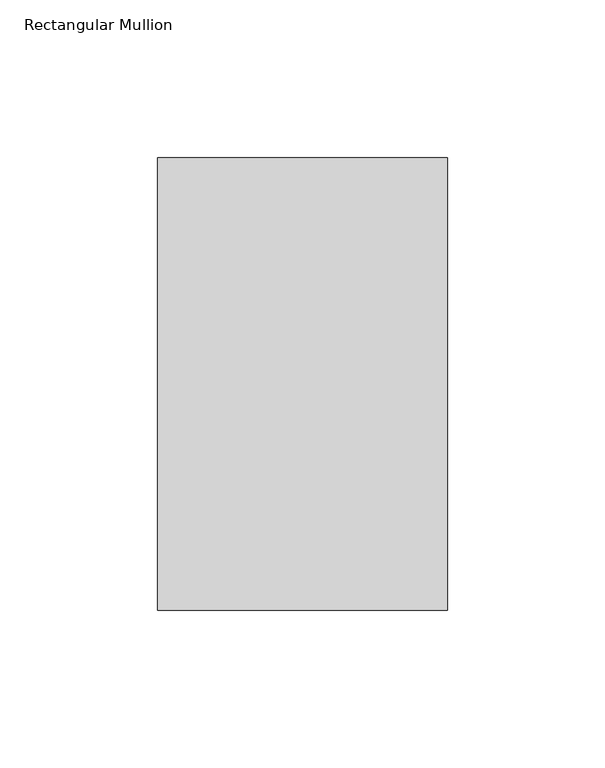
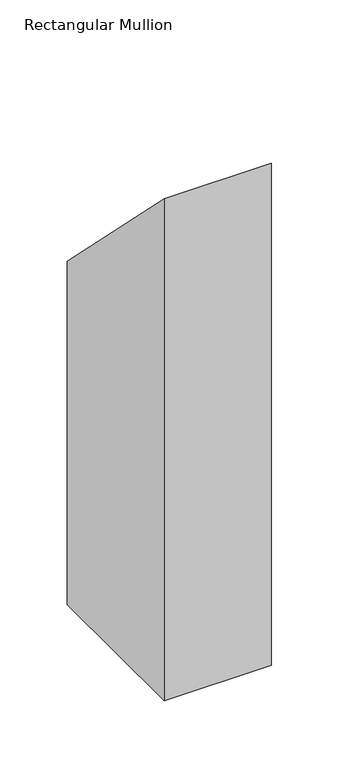
"""IFC4 building model written with IfcOpenShell, lengths in millimetres: member geometry, Rectangular Mullion."""

from ifc_helpers import new_model, si_unit, frame, origin, place, context, project, spatial, polyline, outline, extrude, source, transform, mapped, element, save


def rectangular_mullion_ac147bc3(model_context):
    return source(origin(), model_context, "Body", "SweptSolid", [
        extrude(outline(polyline([(46.7447302, -46.7447302), (190.4071312, -190.4071312), (190.4071312, -501.6500001), (46.7447302, -501.6500001), (46.7447302, -46.7447302)])), frame((-92.0877, 0.0, 0.0), z_axis=(1.0, 0.0, 0.0), x_axis=(0.0, 1.0, 0.0)), (0.0, 0.0, 1.0), 92.0877),
    ])


if __name__ == "__main__":
    model = new_model("IFC4")
    model_context = context("Model", 3, world=origin())
    ifc_project = project(units=[si_unit("LENGTHUNIT", "METRE", prefix="MILLI")], contexts=[model_context])
    site = spatial("IfcSite", under=ifc_project)
    building = spatial("IfcBuilding", under=site)
    placement = place(None, origin())
    rectangular_mullion_shape = rectangular_mullion_ac147bc3(model_context)
    element("IfcMember", 1, ObjectType="Rectangular Mullion", at=placement, inside=building, context=model_context, shape_type="MappedRepresentation", body=[
        mapped(rectangular_mullion_shape, transform((0.0, 0.0, 0.0), x_axis=(1.0, 0.0, 0.0), y_axis=(0.0, 1.0, 0.0), z_axis=(0.0, 0.0, 1.0))),
    ])
    save(model, "model.ifc")
